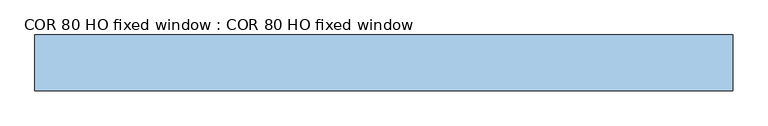
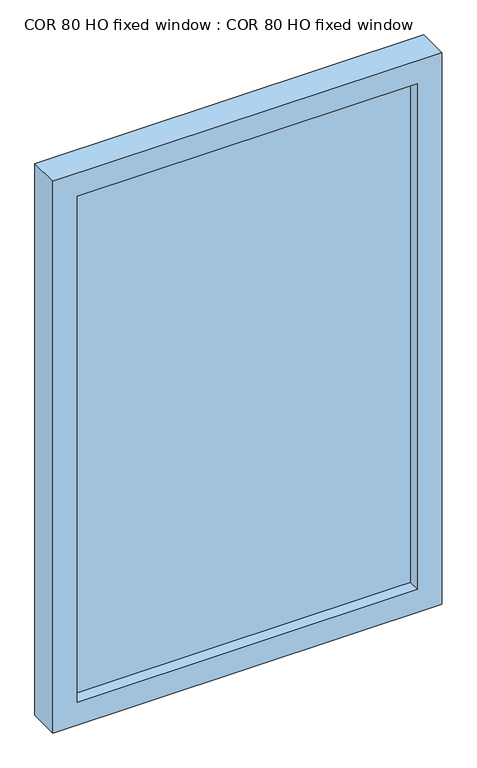
"""IFC4 building model written with IfcOpenShell, lengths in millimetres: window geometry, COR 80 HO fixed window : COR 80 HO fixed window."""

from ifc_helpers import new_model, si_unit, frame, origin, place, context, project, spatial, polyline, outline, extrude, faceted_brep, source, transform, mapped, element, save


def cor_80_ho_fixed_window_cor_80_ho_fixed_window_cba5df6e(model_context):
    return source(origin(), model_context, "Body", "SolidModel", [
        faceted_brep([(-500.0, -50.0, 2300.0), (-500.0, 30.0, 2300.0), (-500.0, 30.0, 800.0), (-500.0, -50.0, 800.0), (500.0, 30.0, 800.0), (500.0, -50.0, 800.0), (500.0, 30.0, 2300.0), (434.0, 30.0, 866.0), (434.0, 30.0, 2234.0), (-434.0, 30.0, 2234.0), (-434.0, 30.0, 866.0), (500.0, -50.0, 2300.0), (-437.3993333, -50.0, 862.6006667), (-437.3993333, -50.0, 2237.3993333), (437.3993333, -50.0, 2237.3993333), (437.3993333, -50.0, 862.6006667), (-437.3993333, -19.1005935, 2237.3993333), (-437.3993333, -19.1005935, 862.6006667), (437.3993333, -19.1005935, 862.6006667), (437.3993333, -19.1005935, 2237.3993333), (-451.3993333, -19.1005935, 848.6006667), (-451.3993333, -19.1005935, 2251.3993333), (451.3993333, -19.1005935, 2251.3993333), (451.3993333, -19.1005935, 848.6006667), (-434.0, 21.8976883, 2234.0), (-434.0, 21.8976883, 866.0), (434.0, 21.8976883, 866.0), (451.3993333, 21.8976883, 848.6006667), (451.3993333, 21.8976883, 2251.3993333), (-451.3993333, 21.8976883, 2251.3993333), (-451.3993333, 21.8976883, 848.6006667), (434.0, 21.8976883, 2234.0)], [[[0, 1, 2, 3]], [[3, 2, 4, 5]], [[2, 1, 6, 4], [7, 8, 9, 10]], [[5, 4, 6, 11]], [[5, 11, 0, 3], [12, 13, 14, 15]], [[16, 13, 12, 17]], [[17, 12, 15, 18]], [[18, 15, 14, 19]], [[20, 21, 22, 23], [18, 19, 16, 17]], [[9, 24, 25, 10]], [[10, 25, 26, 7]], [[27, 28, 29, 30], [25, 24, 31, 26]], [[7, 26, 31, 8]], [[29, 21, 20, 30]], [[30, 20, 23, 27]], [[27, 23, 22, 28]], [[11, 6, 1, 0]], [[19, 14, 13, 16]], [[8, 31, 24, 9]], [[28, 22, 21, 29]]]),
        extrude(outline(polyline([(451.3993333, -19.1005935), (-451.3993333, -19.1005935), (-451.3993333, 21.8976883), (451.3993333, 21.8976883), (451.3993333, -19.1005935)])), frame((0.0, 0.0, 848.4710674), z_axis=(0.0, 0.0, 1.0), x_axis=(1.0, 0.0, 0.0)), (0.0, 0.0, 1.0), 1403.0578651),
    ])


if __name__ == "__main__":
    model = new_model("IFC4")
    model_context = context("Model", 3, world=origin())
    ifc_project = project(units=[si_unit("LENGTHUNIT", "METRE", prefix="MILLI")], contexts=[model_context])
    site = spatial("IfcSite", under=ifc_project)
    building = spatial("IfcBuilding", under=site)
    placement = place(None, origin())
    cor_80_ho_fixed_window_cor_80_ho_fixed_window_shape = cor_80_ho_fixed_window_cor_80_ho_fixed_window_cba5df6e(model_context)
    element("IfcWindow", 1, ObjectType="COR 80 HO fixed window : COR 80 HO fixed window", at=placement, inside=building, context=model_context, shape_type="MappedRepresentation", body=[
        mapped(cor_80_ho_fixed_window_cor_80_ho_fixed_window_shape, transform((0.0, 0.0, 0.0), x_axis=(1.0, 0.0, 0.0), y_axis=(0.0, 1.0, 0.0), z_axis=(0.0, 0.0, 1.0))),
    ])
    save(model, "model.ifc")
